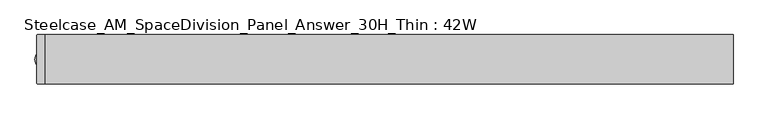
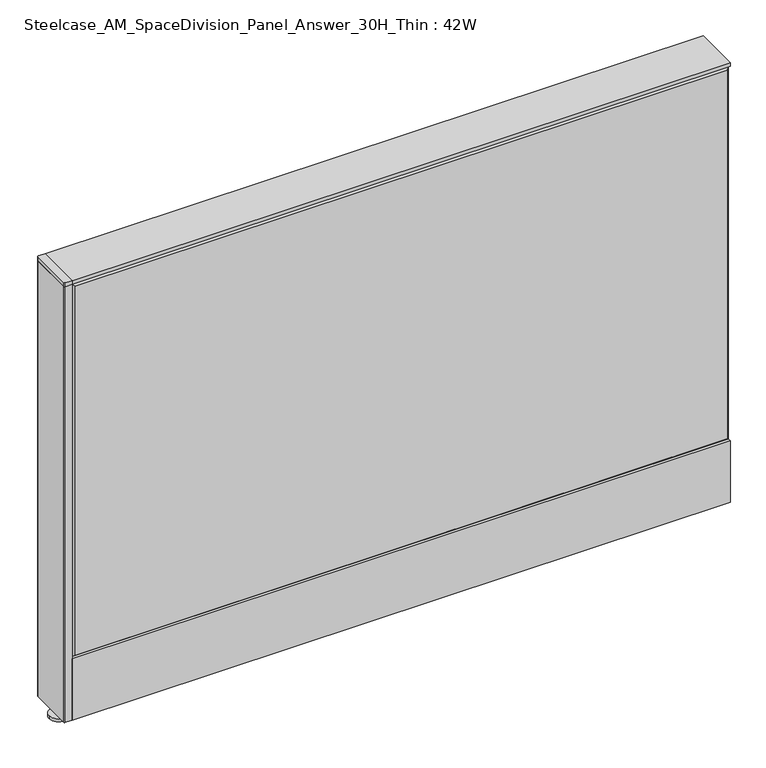
"""IFC4 building model written with IfcOpenShell, lengths in millimetres: furniture geometry, Steelcase_AM_SpaceDivision_Panel_Answer_30H_Thin : 42W."""

import ifcopenshell
import ifcopenshell.guid

model = None  # the IFC model being written
_history = None  # IfcOwnerHistory: only IFC2X3 demands one
_inside = {}  # id of a spatial element -> (the spatial element, [elements in it])
_under = {}  # id of a project, library or spatial element -> (it, [spatial elements below it])
_declared = {}  # id of a project -> (the project, [libraries it declares])
_typed = {}  # id of a type object -> (the type object, [elements of that type])
_made_of = {}  # id of a material, layer set ... -> (it, [elements and type objects made of it])


def new_model(schema):
    """Start an empty IFC model of exactly this schema.

    Asked for "IFC4X3", IfcOpenShell would pick the latest addendum, in which some entities
    have other attributes; the version numbers below select the first issue.
    IFC2X3 requires an IfcOwnerHistory on every rooted entity: one is made here for all.
    """
    global model, _history
    if schema == "IFC4X3":
        model = ifcopenshell.file(schema_version=(4, 3, 0, 0))
    else:
        model = ifcopenshell.file(schema=schema)
    _inside.clear()
    _under.clear()
    _declared.clear()
    _typed.clear()
    _made_of.clear()
    _history = None
    if model.schema == "IFC2X3":
        org = make("IfcOrganization", Name="unknown")
        user = make(
            "IfcPersonAndOrganization",
            ThePerson=make("IfcPerson", FamilyName="unknown"),
            TheOrganization=org,
        )
        app = make(
            "IfcApplication",
            ApplicationDeveloper=org,
            Version="unknown",
            ApplicationFullName="unknown",
            ApplicationIdentifier="unknown",
        )
        _history = make(
            "IfcOwnerHistory",
            OwningUser=user,
            OwningApplication=app,
            ChangeAction="ADDED",
            CreationDate=0,
        )
    return model


def make(cls, **values):
    """One entity of the class cls with the attributes given. An attribute that is None is left unset."""
    return model.create_entity(
        cls, **{name: value for name, value in values.items() if value is not None}
    )


def rooted(cls, **values):
    """An entity with a GlobalId (a new one), such as an element, a storey or a relation."""
    return make(cls, GlobalId=ifcopenshell.guid.new(), OwnerHistory=_history, **values)


def si_unit(unit_type, name, prefix=None):
    """IfcSIUnit, for example si_unit("LENGTHUNIT", "METRE", prefix="MILLI")."""
    return make("IfcSIUnit", UnitType=unit_type, Prefix=prefix, Name=name)


def assignment(units):
    """IfcUnitAssignment: the units of a project."""
    return None if units is None else make("IfcUnitAssignment", Units=units)


def point(xyz):
    """IfcCartesianPoint."""
    return None if xyz is None else make("IfcCartesianPoint", Coordinates=xyz)


def direction(xyz):
    """IfcDirection."""
    return None if xyz is None else make("IfcDirection", DirectionRatios=xyz)


def frame(location, z_axis=None, x_axis=None):
    """IfcAxis2Placement3D, a coordinate frame: its origin and axes. An axis left out is left unset."""
    return make(
        "IfcAxis2Placement3D",
        Location=point(location),
        Axis=direction(z_axis),
        RefDirection=direction(x_axis),
    )


def frame_2d(location, x_axis=None):
    """IfcAxis2Placement2D, a coordinate frame in the plane: its origin and x axis."""
    return make(
        "IfcAxis2Placement2D", Location=point(location), RefDirection=direction(x_axis)
    )


def origin():
    """The frame at (0, 0, 0) with its axes left unset."""
    return frame((0.0, 0.0, 0.0))


def place(relative_to, where):
    """IfcLocalPlacement: puts the frame where relative to a parent placement (None: the world)."""
    return make(
        "IfcLocalPlacement", PlacementRelTo=relative_to, RelativePlacement=where
    )


def context(
    kind, dimensions, precision=None, world=None, true_north=None, identifier=None
):
    """IfcGeometricRepresentationContext, for example the 3D "Model" context."""
    return make(
        "IfcGeometricRepresentationContext",
        ContextIdentifier=identifier,
        ContextType=kind,
        CoordinateSpaceDimension=dimensions,
        Precision=precision,
        WorldCoordinateSystem=world,
        TrueNorth=true_north,
    )


def project(units=None, contexts=None):
    """IfcProject with its units and contexts."""
    return rooted(
        "IfcProject",
        Name="project",
        RepresentationContexts=contexts,
        UnitsInContext=assignment(units),
    )


def spatial(cls, under=None, at=None, **own):
    """A site, building, storey or space (cls), placed at a placement, below another one or the project."""
    s = rooted(cls, ObjectPlacement=at, **own)
    if under is not None:
        _under.setdefault(under.id(), (under, []))[1].append(s)
    return s


def polyline(points):
    """IfcPolyline through the points."""
    return make("IfcPolyline", Points=[point(p) for p in points])


def circle_curve(where, radius):
    """IfcCircle in the frame where."""
    return make("IfcCircle", Position=where, Radius=radius)


def trimmed(basis, trim1, trim2, sense, master):
    """IfcTrimmedCurve: the piece of a basis curve between two trims."""
    return make(
        "IfcTrimmedCurve",
        BasisCurve=basis,
        Trim1=trim1,
        Trim2=trim2,
        SenseAgreement=sense,
        MasterRepresentation=master,
    )


def segment(curve, same_sense, transition):
    """IfcCompositeCurveSegment."""
    return make(
        "IfcCompositeCurveSegment",
        Transition=transition,
        SameSense=same_sense,
        ParentCurve=curve,
    )


def composite_curve(segments, self_intersect=None):
    """IfcCompositeCurve: segments joined end to end."""
    return make("IfcCompositeCurve", Segments=segments, SelfIntersect=self_intersect)


def outline(outer, holes=None, kind="AREA"):
    """IfcArbitraryClosedProfileDef: a profile drawn as a closed curve; with holes, ...WithVoids."""
    if holes is None:
        return make("IfcArbitraryClosedProfileDef", ProfileType=kind, OuterCurve=outer)
    return make(
        "IfcArbitraryProfileDefWithVoids",
        ProfileType=kind,
        OuterCurve=outer,
        InnerCurves=holes,
    )


def extrude(swept, where, along, depth):
    """IfcExtrudedAreaSolid: the profile swept, set in the frame where, extruded along a direction by depth."""
    return make(
        "IfcExtrudedAreaSolid",
        SweptArea=swept,
        Position=where,
        ExtrudedDirection=direction(along),
        Depth=depth,
    )


def faces_of(points, faces, orient=None, outer=None):
    """IfcFace entities. A face is a list of loops; a loop is a list of indices into points, from 0.

    orient and outer hold one flag for each loop. By default every Orientation is true, the
    first loop of a face is its IfcFaceOuterBound and the others are IfcFaceBound.
    """
    made = []
    for i, loops in enumerate(faces):
        bounds = []
        for j, loop in enumerate(loops):
            is_outer = j == 0 if outer is None else outer[i][j]
            bounds.append(
                make(
                    "IfcFaceOuterBound" if is_outer else "IfcFaceBound",
                    Bound=make("IfcPolyLoop", Polygon=[points[k] for k in loop]),
                    Orientation=True if orient is None else orient[i][j],
                )
            )
        made.append(make("IfcFace", Bounds=bounds))
    return made


def faceted_brep(points, faces, orient=None, outer=None, voids=None):
    """IfcFacetedBrep: a solid bounded by flat faces; with voids (closed shells), ...WithVoids."""
    shared = [point(p) for p in points]
    hull = make("IfcClosedShell", CfsFaces=faces_of(shared, faces, orient, outer))
    if voids is None:
        return make("IfcFacetedBrep", Outer=hull)
    return make(
        "IfcFacetedBrepWithVoids",
        Outer=hull,
        Voids=[
            make(cls, CfsFaces=faces_of(shared, fs, o, b)) for cls, fs, o, b in voids
        ],
    )


def shape(context_of_items, identifier, shape_type, items):
    """IfcShapeRepresentation: the items that make up one representation, for example the "Body"."""
    return make(
        "IfcShapeRepresentation",
        ContextOfItems=context_of_items,
        RepresentationIdentifier=identifier,
        RepresentationType=shape_type,
        Items=items,
    )


def source(mapping_origin, context_of_items, identifier, shape_type, items):
    """IfcRepresentationMap: a shape defined once, which mapped items show again and again."""
    return make(
        "IfcRepresentationMap",
        MappingOrigin=mapping_origin,
        MappedRepresentation=shape(context_of_items, identifier, shape_type, items),
    )


def transform(
    local_origin,
    x_axis=None,
    y_axis=None,
    z_axis=None,
    scale=None,
    scale2=None,
    scale3=None,
    uniform=True,
):
    """IfcCartesianTransformationOperator3D, or its non-uniform kind. x_axis, y_axis, z_axis: its Axis1, 2, 3."""
    if uniform:
        return make(
            "IfcCartesianTransformationOperator3D",
            Axis1=direction(x_axis),
            Axis2=direction(y_axis),
            LocalOrigin=point(local_origin),
            Scale=scale,
            Axis3=direction(z_axis),
        )
    return make(
        "IfcCartesianTransformationOperator3DnonUniform",
        Axis1=direction(x_axis),
        Axis2=direction(y_axis),
        LocalOrigin=point(local_origin),
        Scale=scale,
        Axis3=direction(z_axis),
        Scale2=scale2,
        Scale3=scale3,
    )


def mapped(mapping_source, mapping_target):
    """IfcMappedItem: shows the shape of a source again, moved by a transform."""
    return make(
        "IfcMappedItem", MappingSource=mapping_source, MappingTarget=mapping_target
    )


def made_of(thing, what):
    """Note that an element or type object is made of a material, layer set ...; save() writes the relation."""
    if what is not None:
        _made_of.setdefault(what.id(), (what, []))[1].append(thing)
    return thing


def element(
    cls,
    number,
    at=None,
    inside=None,
    cuts=None,
    type_object=None,
    material=None,
    context=None,
    identifier="Body",
    shape_type=None,
    held_by="IfcProductDefinitionShape",
    body=None,
    shapes=None,
    **own,
):
    """One element of the class cls, such as IfcWall. Its Tag is "e" and its number.

    at: its placement. inside: the storey or other place that contains it. cuts: it is an
    opening in that element (IfcRelVoidsElement). A single representation is given by context,
    identifier, shape_type and body (its items); several are given by shapes. held_by: the class
    of the entity that holds the representations. save() writes the other relations.
    """
    e = rooted(cls, Tag="e%d" % number, ObjectPlacement=at, **own)
    if body is not None:
        shapes = [shape(context, identifier, shape_type, body)]
    if shapes is not None:
        e.Representation = make(held_by, Representations=shapes)
    if inside is not None:
        _inside.setdefault(inside.id(), (inside, []))[1].append(e)
    if cuts is not None:
        rooted(
            "IfcRelVoidsElement", RelatingBuildingElement=cuts, RelatedOpeningElement=e
        )
    if type_object is not None:
        _typed.setdefault(type_object.id(), (type_object, []))[1].append(e)
    return made_of(e, material)


def aggregate(whole, parts):
    """IfcRelAggregates: a whole, such as a stair, and the parts it consists of."""
    return rooted("IfcRelAggregates", RelatingObject=whole, RelatedObjects=parts)


def save(model, path):
    """Write the relations noted so far, then the file.

    IfcRelAggregates (storeys below a building ...), IfcRelContainedInSpatialStructure (elements
    in a storey), IfcRelDefinesByType, IfcRelAssociatesMaterial and IfcRelDeclares: one each for
    every whole, place, type object, material and project.
    """
    for whole, parts in _under.values():
        aggregate(whole, parts)
    for where, things in _inside.values():
        rooted(
            "IfcRelContainedInSpatialStructure",
            RelatedElements=things,
            RelatingStructure=where,
        )
    for kind, things in _typed.values():
        rooted("IfcRelDefinesByType", RelatedObjects=things, RelatingType=kind)
    for what, things in _made_of.values():
        rooted("IfcRelAssociatesMaterial", RelatedObjects=things, RelatingMaterial=what)
    for by, libraries in _declared.values():
        rooted("IfcRelDeclares", RelatingContext=by, RelatedDefinitions=libraries)
    model.write(path)


def steelcase_am_spacedivision_panel_answer_30h_thin_42w_e3c3efa1(model_context):
    return source(origin(), model_context, "Body", "SolidModel", [
        extrude(outline(polyline([(-37.3075215, 119.8575157), (-37.3075215, 15.494), (-38.1000194, 15.494), (-38.1000194, 120.65), (-25.4000011, 120.65), (-25.4000011, 119.8575157), (-37.3075215, 119.8575157)])), frame((-533.4, 0.0, 0.0), z_axis=(1.0, 0.0, 0.0), x_axis=(0.0, 1.0, 0.0)), (0.0, 0.0, 1.0), 1066.8),
        extrude(outline(polyline([(37.3075215, 119.8575157), (25.4000011, 119.8575157), (25.4000011, 120.65), (38.1000194, 120.65), (38.1000194, 15.494), (37.3075215, 15.494), (37.3075215, 119.8575157)])), frame((-533.4, 0.0, 0.0), z_axis=(1.0, 0.0, 0.0), x_axis=(0.0, 1.0, 0.0)), (0.0, 0.0, 1.0), 1066.8),
        extrude(outline(composite_curve([segment(trimmed(circle_curve(frame_2d((-533.4, 0.0)), 5.08), [point((-538.48, 0.0))], [point((-528.32, 0.0))], False, "CARTESIAN"), True, "CONTINUOUS"), segment(trimmed(circle_curve(frame_2d((-533.4, 0.0)), 5.08), [point((-528.32, 0.0))], [point((-538.48, 0.0))], False, "CARTESIAN"), True, "CONTINUOUS")], self_intersect=False)), frame((0.0, 0.0, 5.0799671), z_axis=(0.0, 0.0, 1.0), x_axis=(1.0, 0.0, 0.0)), (0.0, 0.0, 1.0), 10.414),
        extrude(outline(composite_curve([segment(trimmed(circle_curve(frame_2d((-533.4, 0.0)), 15.24), [point((-548.64, 0.0))], [point((-518.16, 0.0))], False, "CARTESIAN"), True, "CONTINUOUS"), segment(trimmed(circle_curve(frame_2d((-533.4, 0.0)), 15.24), [point((-518.16, 0.0))], [point((-548.64, 0.0))], False, "CARTESIAN"), True, "CONTINUOUS")], self_intersect=False)), frame((0.0, 0.0, -3.29e-05), z_axis=(0.0, 0.0, 1.0), x_axis=(1.0, 0.0, 0.0)), (0.0, 0.0, 1.0), 5.08),
        extrude(outline(composite_curve([segment(trimmed(circle_curve(frame_2d((-544.322, 36.3220194)), 1.778), [point((-546.1, 36.3220194))], [point((-544.322, 38.1000194))], False, "CARTESIAN"), True, "CONTINUOUS"), segment(polyline([(-544.322, 38.1000194), (-533.4, 38.1000194), (-533.4, -38.0999806), (-544.322, -38.0999806)]), True, "CONTINUOUS"), segment(trimmed(circle_curve(frame_2d((-544.322, -36.3219806)), 1.778), [point((-544.322, -38.0999806))], [point((-546.1, -36.3219806))], False, "CARTESIAN"), True, "CONTINUOUS"), segment(polyline([(-546.1, -36.3219806), (-546.1, 36.3220194)]), True, "CONTINUOUS")], self_intersect=False)), frame((0.0, 0.0, 761.9999671), z_axis=(0.0, 0.0, 1.0), x_axis=(1.0, 0.0, 0.0)), (0.0, 0.0, 1.0), 6.35),
        extrude(outline(composite_curve([segment(trimmed(circle_curve(frame_2d((-544.322, 36.3220194)), 1.778), [point((-546.1, 36.3220194))], [point((-544.322, 38.1000194))], False, "CARTESIAN"), True, "CONTINUOUS"), segment(polyline([(-544.322, 38.1000194), (-533.4, 38.1000194), (-533.4, -38.0999806), (-544.322, -38.0999806)]), True, "CONTINUOUS"), segment(trimmed(circle_curve(frame_2d((-544.322, -36.3219806)), 1.778), [point((-544.322, -38.0999806))], [point((-546.1, -36.3219806))], False, "CARTESIAN"), True, "CONTINUOUS"), segment(polyline([(-546.1, -36.3219806), (-546.1, 36.3220194)]), True, "CONTINUOUS")], self_intersect=False)), frame((0.0, 0.0, 15.4939671), z_axis=(0.0, 0.0, 1.0), x_axis=(1.0, 0.0, 0.0)), (0.0, 0.0, 1.0), 746.506),
        faceted_brep([(528.574, -38.100001, 757.174), (-528.574, -38.100001, 757.174), (-528.574, -38.100001, 125.476), (528.574, -38.100001, 125.476), (533.4, -33.274001, 762.0), (533.4, -33.274001, 120.65), (-533.4, -33.274001, 120.65), (-533.4, -33.274001, 762.0)], [[[0, 1, 2, 3]], [[4, 5, 6, 7]], [[4, 7, 1, 0]], [[7, 6, 2, 1]], [[6, 5, 3, 2]], [[5, 4, 0, 3]]]),
        faceted_brep([(528.574, 38.100001, 757.174), (528.574, 38.100001, 125.476), (-528.574, 38.100001, 125.476), (-528.574, 38.100001, 757.174), (533.4, 33.274001, 762.0), (-533.4, 33.274001, 762.0), (-533.4, 33.274001, 120.65), (533.4, 33.274001, 120.65)], [[[0, 1, 2, 3]], [[4, 5, 6, 7]], [[4, 0, 3, 5]], [[5, 3, 2, 6]], [[6, 2, 1, 7]], [[7, 1, 0, 4]]]),
        extrude(outline(polyline([(533.4, -38.1000194), (-533.4, -38.1000194), (-533.4, 38.1000194), (533.4, 38.1000194), (533.4, -38.1000194)])), frame((0.0, 0.0, 762.0), z_axis=(0.0, 0.0, 1.0), x_axis=(1.0, 0.0, 0.0)), (0.0, 0.0, 1.0), 6.35),
    ])


if __name__ == "__main__":
    model = new_model("IFC4")
    model_context = context("Model", 3, world=origin())
    ifc_project = project(units=[si_unit("LENGTHUNIT", "METRE", prefix="MILLI")], contexts=[model_context])
    site = spatial("IfcSite", under=ifc_project)
    building = spatial("IfcBuilding", under=site)
    placement = place(None, origin())
    steelcase_am_spacedivision_panel_answer_30h_thin_42w_shape = steelcase_am_spacedivision_panel_answer_30h_thin_42w_e3c3efa1(model_context)
    element("IfcFurniture", 1, ObjectType="Steelcase_AM_SpaceDivision_Panel_Answer_30H_Thin : 42W", at=placement, inside=building, context=model_context, shape_type="MappedRepresentation", body=[
        mapped(steelcase_am_spacedivision_panel_answer_30h_thin_42w_shape, transform((0.0, 0.0, 0.0), x_axis=(1.0, 0.0, 0.0), y_axis=(0.0, 1.0, 0.0), z_axis=(0.0, 0.0, 1.0))),
    ])
    save(model, "model.ifc")
